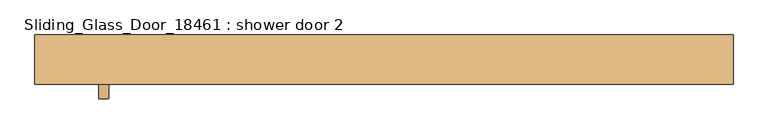
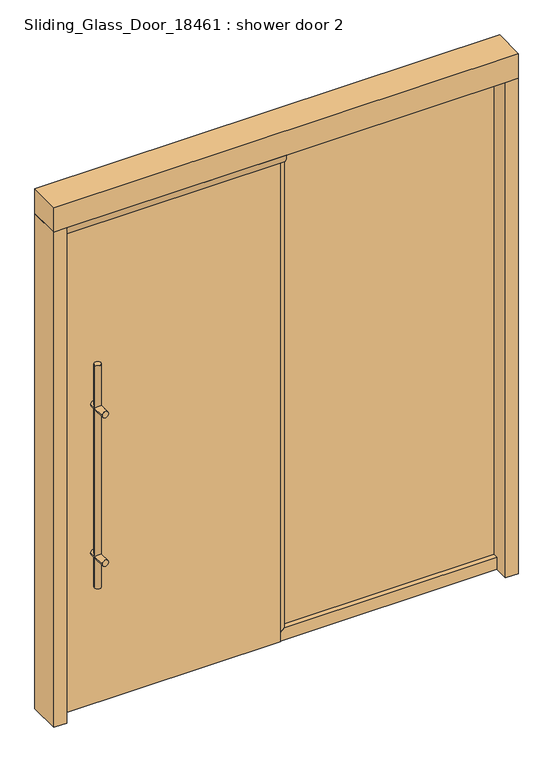
"""IFC4 building model written with IfcOpenShell, lengths in millimetres: door geometry, Sliding_Glass_Door_18461 : shower door 2."""

from ifc_helpers import new_model, si_unit, point, frame, frame_2d, origin, origin_with_axes, place, context, project, spatial, polyline, circle_curve, ellipse_curve, trimmed, segment, composite_curve, outline, extrude, faceted_brep, source, transform, mapped, element, save
from ifc_brep_helpers import plane_surface, cylinder_surface, advanced_brep


def sliding_glass_door_18461_shower_door_2_6ca095e3(model_context):
    return source(origin(), model_context, "Body", "SolidModel", [
        advanced_brep(
        [(-736.6, 0.0, 508.0), (-711.2, 0.0, 508.0), (-736.6, -50.8, 508.0), (-711.2, -50.8, 508.0), (-736.6, 0.0, 635.0), (-711.2, 0.0, 635.0), (-736.6, 0.0, 1422.4), (-711.2, 0.0, 1422.4), (-711.2, 0.0, 1244.6), (-736.6, 0.0, 1244.6), (-736.6, -50.8, 635.0), (-711.2, -50.8, 635.0), (-736.6, -50.8, 1422.4), (-711.2, -50.8, 1422.4), (-711.2, -50.8, 1244.6), (-736.6, -50.8, 1244.6), (-736.6, -101.6, 635.0), (-711.2, -101.6, 635.0), (-736.6, -101.6, 1244.6), (-711.2, -101.6, 1244.6), (-736.6, 50.8, 635.0), (-711.2, 50.8, 635.0), (-736.6, 50.8, 1244.6), (-711.2, 50.8, 1244.6)],
        [
            (0, 1, circle_curve(frame((-723.9, 0.0, 508.0), z_axis=(0.0, 0.0, -1.0), x_axis=(1.0, 0.0, 0.0)), 12.7)),
            (1, 0, circle_curve(frame((-723.9, 0.0, 508.0), z_axis=(0.0, 0.0, -1.0), x_axis=(1.0, 0.0, 0.0)), 12.7)),
            (2, 3, circle_curve(frame((-723.9, -50.8, 508.0), z_axis=(0.0, 0.0, -1.0), x_axis=(1.0, 0.0, 0.0)), 12.7)),
            (3, 2, circle_curve(frame((-723.9, -50.8, 508.0), z_axis=(0.0, 0.0, -1.0), x_axis=(1.0, 0.0, 0.0)), 12.7)),
            (0, 4),
            (4, 5, ellipse_curve(frame((-723.9, 0.0, 635.0), z_axis=(0.0, -0.7071067811865475, -0.7071067811865475), x_axis=(0.0, -0.7071067811865474, 0.7071067811865476)), 17.9605122, 12.7)),
            (5, 1),
            (6, 7, circle_curve(frame((-723.9, 0.0, 1422.4), z_axis=(0.0, 0.0, -1.0), x_axis=(1.0, 0.0, 0.0)), 12.7)),
            (7, 8),
            (8, 9, ellipse_curve(frame((-723.9, 0.0, 1244.6), z_axis=(0.0, -0.7071067811865475, 0.7071067811865475), x_axis=(0.0, 0.7071067811865474, 0.7071067811865476)), 17.9605122, 12.7)),
            (9, 6),
            (4, 9),
            (9, 8, ellipse_curve(frame((-723.9, 0.0, 1244.6), z_axis=(0.0, -0.7071067811865475, -0.7071067811865475), x_axis=(0.0, -0.7071067811865474, 0.7071067811865476)), 17.9605122, 12.7)),
            (8, 5),
            (5, 4, ellipse_curve(frame((-723.9, 0.0, 635.0), z_axis=(0.0, -0.7071067811865475, 0.7071067811865475), x_axis=(0.0, 0.7071067811865474, 0.7071067811865476)), 17.9605122, 12.7)),
            (5, 4, ellipse_curve(frame((-723.9, 0.0, 635.0), z_axis=(0.0, 0.7071067811865475, -0.7071067811865475), x_axis=(0.0, 0.7071067811865474, 0.7071067811865476)), 17.9605122, 12.7)),
            (7, 6, circle_curve(frame((-723.9, 0.0, 1422.4), z_axis=(0.0, 0.0, -1.0), x_axis=(1.0, 0.0, 0.0)), 12.7)),
            (9, 8, ellipse_curve(frame((-723.9, 0.0, 1244.6), z_axis=(0.0, 0.7071067811865475, 0.7071067811865475), x_axis=(0.0, -0.7071067811865474, 0.7071067811865476)), 17.9605122, 12.7)),
            (4, 5, ellipse_curve(frame((-723.9, 0.0, 635.0), z_axis=(0.0, 0.7071067811865475, 0.7071067811865475), x_axis=(0.0, -0.7071067811865474, 0.7071067811865476)), 17.9605122, 12.7)),
            (8, 9, ellipse_curve(frame((-723.9, 0.0, 1244.6), z_axis=(0.0, 0.7071067811865475, -0.7071067811865475), x_axis=(0.0, 0.7071067811865474, 0.7071067811865476)), 17.9605122, 12.7)),
            (2, 10),
            (10, 11, ellipse_curve(frame((-723.9, -50.8, 635.0), z_axis=(0.0, -0.7071067811865475, -0.7071067811865475), x_axis=(0.0, -0.7071067811865474, 0.7071067811865476)), 17.9605122, 12.7)),
            (11, 3),
            (12, 13, circle_curve(frame((-723.9, -50.8, 1422.4), z_axis=(0.0, 0.0, -1.0), x_axis=(1.0, 0.0, 0.0)), 12.7)),
            (13, 14),
            (14, 15, ellipse_curve(frame((-723.9, -50.8, 1244.6), z_axis=(0.0, -0.7071067811865475, 0.7071067811865475), x_axis=(0.0, 0.7071067811865474, 0.7071067811865476)), 17.9605122, 12.7)),
            (15, 12),
            (10, 15),
            (15, 14, ellipse_curve(frame((-723.9, -50.8, 1244.6), z_axis=(0.0, -0.7071067811865475, -0.7071067811865475), x_axis=(0.0, -0.7071067811865474, 0.7071067811865476)), 17.9605122, 12.7)),
            (14, 11),
            (11, 10, ellipse_curve(frame((-723.9, -50.8, 635.0), z_axis=(0.0, -0.7071067811865475, 0.7071067811865475), x_axis=(0.0, 0.7071067811865474, 0.7071067811865476)), 17.9605122, 12.7)),
            (11, 10, ellipse_curve(frame((-723.9, -50.8, 635.0), z_axis=(0.0, 0.7071067811865475, -0.7071067811865475), x_axis=(0.0, 0.7071067811865474, 0.7071067811865476)), 17.9605122, 12.7)),
            (13, 12, circle_curve(frame((-723.9, -50.8, 1422.4), z_axis=(0.0, 0.0, -1.0), x_axis=(1.0, 0.0, 0.0)), 12.7)),
            (15, 14, ellipse_curve(frame((-723.9, -50.8, 1244.6), z_axis=(0.0, 0.7071067811865475, 0.7071067811865475), x_axis=(0.0, -0.7071067811865474, 0.7071067811865476)), 17.9605122, 12.7)),
            (10, 11, ellipse_curve(frame((-723.9, -50.8, 635.0), z_axis=(0.0, 0.7071067811865475, 0.7071067811865475), x_axis=(0.0, -0.7071067811865474, 0.7071067811865476)), 17.9605122, 12.7)),
            (14, 15, ellipse_curve(frame((-723.9, -50.8, 1244.6), z_axis=(0.0, 0.7071067811865475, -0.7071067811865475), x_axis=(0.0, 0.7071067811865474, 0.7071067811865476)), 17.9605122, 12.7)),
            (16, 17, circle_curve(frame((-723.9, -101.6, 635.0), z_axis=(0.0, -1.0, 0.0), x_axis=(1.0, 0.0, 0.0)), 12.7)),
            (17, 16, circle_curve(frame((-723.9, -101.6, 635.0), z_axis=(0.0, -1.0, 0.0), x_axis=(1.0, 0.0, 0.0)), 12.7)),
            (18, 19, circle_curve(frame((-723.9, -101.6, 1244.6), z_axis=(0.0, -1.0, 0.0), x_axis=(1.0, 0.0, 0.0)), 12.7)),
            (19, 18, circle_curve(frame((-723.9, -101.6, 1244.6), z_axis=(0.0, -1.0, 0.0), x_axis=(1.0, 0.0, 0.0)), 12.7)),
            (16, 10),
            (11, 17),
            (10, 4),
            (5, 11),
            (20, 21, circle_curve(frame((-723.9, 50.8, 635.0), z_axis=(0.0, -1.0, 0.0), x_axis=(1.0, 0.0, 0.0)), 12.7)),
            (21, 5),
            (4, 20),
            (21, 20, circle_curve(frame((-723.9, 50.8, 635.0), z_axis=(0.0, -1.0, 0.0), x_axis=(1.0, 0.0, 0.0)), 12.7)),
            (22, 23, circle_curve(frame((-723.9, 50.8, 1244.6), z_axis=(0.0, 1.0, 0.0), x_axis=(1.0, 0.0, 0.0)), 12.7)),
            (23, 22, circle_curve(frame((-723.9, 50.8, 1244.6), z_axis=(0.0, 1.0, 0.0), x_axis=(1.0, 0.0, 0.0)), 12.7)),
            (18, 15),
            (14, 19),
            (23, 8),
            (9, 22),
            (15, 9),
            (8, 14),
        ],
        [
            plane_surface(frame((-711.2, 0.0, 508.0), z_axis=(0.0, 0.0, -1.0), x_axis=(0.0, -1.0, 0.0))),
            cylinder_surface(frame((-723.9, 0.0, 508.0), z_axis=(0.0, 0.0, 1.0), x_axis=(1.0, 0.0, 0.0)), 12.7),
            cylinder_surface(frame((-723.9, -50.8, 0.0), z_axis=(0.0, 0.0, 1.0), x_axis=(1.0, 0.0, 0.0)), 12.7),
            plane_surface(frame((-711.2, -101.6, 1244.6), z_axis=(0.0, -1.0, 0.0), x_axis=(0.0, 0.0, 1.0))),
            cylinder_surface(frame((-723.9, 0.0, 635.0), z_axis=(0.0, -1.0, 0.0), x_axis=(1.0, 0.0, 0.0)), 12.7),
            plane_surface(frame((-711.2, 50.8, 1244.6), z_axis=(0.0, 1.0, 0.0), x_axis=(0.0, 0.0, -1.0))),
            plane_surface(frame((-711.2, 0.0, 1422.4), z_axis=(0.0, 0.0, 1.0), x_axis=(0.0, 1.0, 0.0))),
            cylinder_surface(frame((-723.9, 50.8, 1244.6), z_axis=(0.0, -1.0, 0.0), x_axis=(1.0, 0.0, 0.0)), 12.7),
        ],
        [
            (0, [[1, 2]]),
            (0, [[3, 4]]),
            (1, [[-1, 5, 6, 7]]),
            (1, [[8, 9, 10, 11]]),
            (1, [[12, 13, 14, 15]]),
            (1, [[-2, -7, 16, -5]]),
            (1, [[17, -11, 18, -9]]),
            (1, [[-12, 19, -14, 20]]),
            (2, [[-3, 21, 22, 23]]),
            (2, [[24, 25, 26, 27]]),
            (2, [[28, 29, 30, 31]]),
            (2, [[-4, -23, 32, -21]]),
            (2, [[33, -27, 34, -25]]),
            (2, [[-28, 35, -30, 36]]),
            (3, [[37, 38]]),
            (3, [[39, 40]]),
            (4, [[-37, 41, -32, 42]]),
            (4, [[43, -16, 44, -22]]),
            (4, [[45, 46, -6, 47]]),
            (4, [[-43, -31, -44, -19]]),
            (4, [[-38, -42, -35, -41]]),
            (4, [[48, -47, -15, -46]]),
            (5, [[-48, -45]]),
            (5, [[49, 50]]),
            (6, [[-17, -8]]),
            (6, [[-33, -24]]),
            (7, [[-39, 51, -36, 52]]),
            (7, [[-50, 53, -13, 54]]),
            (7, [[55, -20, 56, -29]]),
            (7, [[-40, -52, -34, -51]]),
            (7, [[-49, -54, -10, -53]]),
            (7, [[-55, -26, -56, -18]]),
        ],
    ),
        extrude(outline(polyline([(0.0, -25.4), (-850.9, -25.4), (-850.9, -12.7), (0.0, -12.7), (0.0, -25.4)])), frame((0.0, 0.0, 12.7), z_axis=(0.0, 0.0, 1.0), x_axis=(1.0, 0.0, 0.0)), (0.0, 0.0, 1.0), 2019.3),
        faceted_brep([(25.4, -6.35, 50.8), (25.4, -6.35, 2032.0), (-25.4, -6.35, 2032.0), (-25.4, -6.35, 0.0), (-6.35, -6.35, 19.05), (-6.35, -6.35, 25.4), (0.0, -6.35, 25.4), (-25.4, 63.5, 0.0), (25.4, 63.5, 50.8), (0.0, 22.225, 25.4), (-6.35, 22.225, 19.05), (25.4, 63.5, 2032.0), (-25.4, 63.5, 2032.0), (-6.35, 22.225, 25.4)], [[[0, 1, 2, 3, 4, 5, 6]], [[7, 8, 0, 6, 9, 10, 4, 3]], [[1, 0, 8, 11]], [[3, 2, 12, 7]], [[7, 12, 11, 8]], [[2, 1, 11, 12]], [[13, 5, 4, 10]], [[5, 13, 9, 6]], [[9, 13, 10]]]),
        extrude(outline(polyline([(-850.9, -63.5), (-901.7, -63.5), (-901.7, 63.5), (-850.9, 63.5), (-850.9, -63.5)])), origin_with_axes(), (0.0, 0.0, 1.0), 2032.0),
        extrude(outline(polyline([(901.7, -63.5), (850.9, -63.5), (850.9, 63.5), (901.7, 63.5), (901.7, -63.5)])), origin_with_axes(), (0.0, 0.0, 1.0), 2032.0),
        extrude(outline(polyline([(850.9, 12.7), (25.4, 12.7), (25.4, 25.4), (850.9, 25.4), (850.9, 12.7)])), frame((0.0, 0.0, 50.8), z_axis=(0.0, 0.0, 1.0), x_axis=(1.0, 0.0, 0.0)), (0.0, 0.0, 1.0), 1981.2),
        extrude(outline(polyline([(-6.35, -6.35), (-6.35, 19.05), (6.35, 19.05), (6.35, -6.35), (-6.35, -6.35)])), origin_with_axes(), (0.0, 0.0, 1.0), 3.175),
        faceted_brep([(-25.4, -6.35, 0.0), (850.9, -6.35, 0.0), (850.9, -6.35, 50.8), (25.4, -6.35, 50.8), (0.0, -6.35, 25.4), (6.35, -6.35, 25.4), (6.35, -6.35, 3.175), (-6.35, -6.35, 3.175), (-6.35, -6.35, 19.05), (-25.4, 63.5, 0.0), (25.4, 63.5, 50.8), (850.9, 63.5, 50.8), (850.9, 63.5, 0.0), (-6.35, 22.225, 19.05), (0.0, 22.225, 25.4), (6.35, 22.225, 25.4), (-6.35, 22.225, 3.175), (6.35, 22.225, 3.175)], [[[0, 1, 2, 3, 4, 5, 6, 7, 8]], [[9, 10, 11, 12]], [[1, 0, 9, 12]], [[2, 1, 12, 11]], [[3, 2, 11, 10]], [[10, 9, 0, 8, 13, 14, 4, 3]], [[15, 5, 4, 14]], [[16, 7, 6, 17]], [[16, 17, 15, 14, 13]], [[5, 15, 17, 6]], [[7, 16, 13, 8]]]),
        extrude(outline(composite_curve([segment(polyline([(-63.5, 2032.0), (-6.35, 2032.0), (-6.35, 1987.55), (-25.4, 1987.55)]), True, "CONTINUOUS"), segment(trimmed(circle_curve(frame_2d((-25.4, 2026.1035714)), 38.5535714), [point((-25.4, 1987.55))], [point((-63.5, 2032.0))], False, "CARTESIAN"), True, "CONTINUOUS")], self_intersect=False)), frame((-850.9, 0.0, 0.0), z_axis=(1.0, 0.0, 0.0), x_axis=(0.0, 1.0, 0.0)), (0.0, 0.0, 1.0), 850.9),
        extrude(outline(polyline([(901.7, -63.5), (-901.7, -63.5), (-901.7, 63.5), (901.7, 63.5), (901.7, -63.5)])), frame((0.0, 0.0, 2032.0), z_axis=(0.0, 0.0, 1.0), x_axis=(1.0, 0.0, 0.0)), (0.0, 0.0, 1.0), 101.6),
    ])


if __name__ == "__main__":
    model = new_model("IFC4")
    model_context = context("Model", 3, world=origin())
    ifc_project = project(units=[si_unit("LENGTHUNIT", "METRE", prefix="MILLI")], contexts=[model_context])
    site = spatial("IfcSite", under=ifc_project)
    building = spatial("IfcBuilding", under=site)
    placement = place(None, origin())
    sliding_glass_door_18461_shower_door_2_shape = sliding_glass_door_18461_shower_door_2_6ca095e3(model_context)
    element("IfcDoor", 1, ObjectType="Sliding_Glass_Door_18461 : shower door 2", at=placement, inside=building, context=model_context, shape_type="MappedRepresentation", body=[
        mapped(sliding_glass_door_18461_shower_door_2_shape, transform((0.0, 0.0, 0.0), x_axis=(1.0, 0.0, 0.0), y_axis=(0.0, 1.0, 0.0), z_axis=(0.0, 0.0, 1.0))),
    ])
    save(model, "model.ifc")
